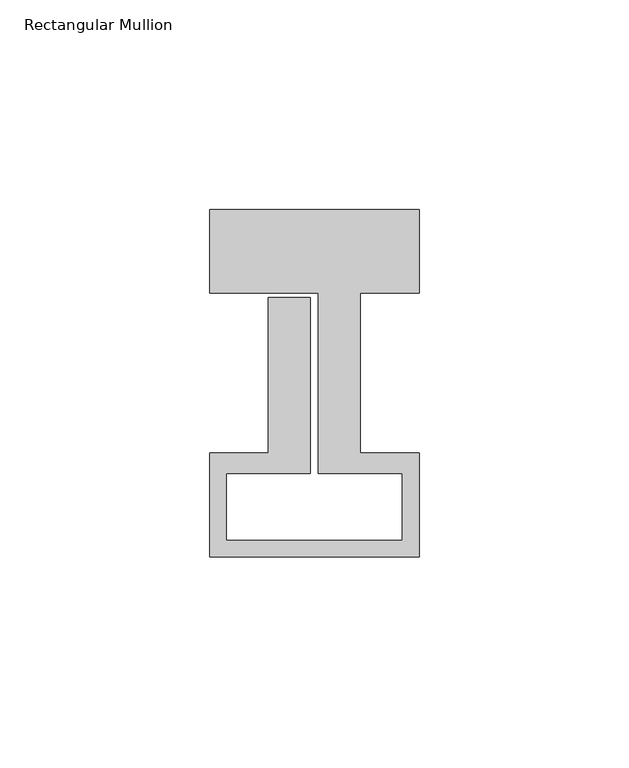
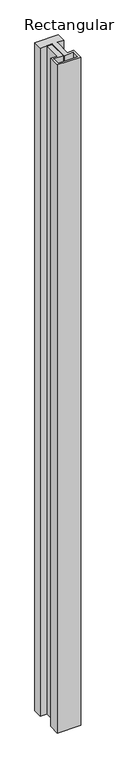
"""IFC4 building model written with IfcOpenShell, lengths in millimetres: member geometry, Rectangular Mullion."""

from ifc_helpers import new_model, si_unit, frame, origin, place, context, project, spatial, polyline, outline, extrude, source, transform, mapped, element, save


def rectangular_mullion_22d9afa7(model_context):
    return source(origin(), model_context, "Body", "SweptSolid", [
        extrude(outline(polyline([(25.0, 58.0), (25.0, 38.0), (11.0, 38.0), (11.0, -0.1), (25.0, -0.1), (25.0, -25.0), (-25.0, -25.0), (-25.0, -0.1), (-11.0, -0.1), (-11.0, 37.0), (-1.0, 37.0), (-1.0, -5.0), (-21.0, -5.0), (-21.0, -21.0), (21.0, -21.0), (21.0, -5.0), (1.0, -5.0), (1.0, 38.0), (-25.0, 38.0), (-25.0, 58.0), (25.0, 58.0)])), frame((0.0, 0.0, -1510.0), z_axis=(0.0, 0.0, 1.0), x_axis=(1.0, 0.0, 0.0)), (0.0, 0.0, 1.0), 1510.0),
    ])


if __name__ == "__main__":
    model = new_model("IFC4")
    model_context = context("Model", 3, world=origin())
    ifc_project = project(units=[si_unit("LENGTHUNIT", "METRE", prefix="MILLI")], contexts=[model_context])
    site = spatial("IfcSite", under=ifc_project)
    building = spatial("IfcBuilding", under=site)
    placement = place(None, origin())
    rectangular_mullion_shape = rectangular_mullion_22d9afa7(model_context)
    element("IfcMember", 1, ObjectType="Rectangular Mullion", at=placement, inside=building, context=model_context, shape_type="MappedRepresentation", body=[
        mapped(rectangular_mullion_shape, transform((0.0, 0.0, 0.0), x_axis=(1.0, 0.0, 0.0), y_axis=(0.0, 1.0, 0.0), z_axis=(0.0, 0.0, 1.0))),
    ])
    save(model, "model.ifc")
